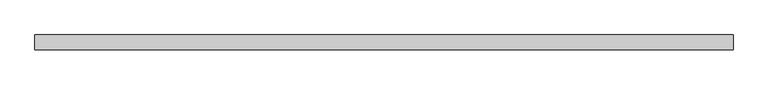
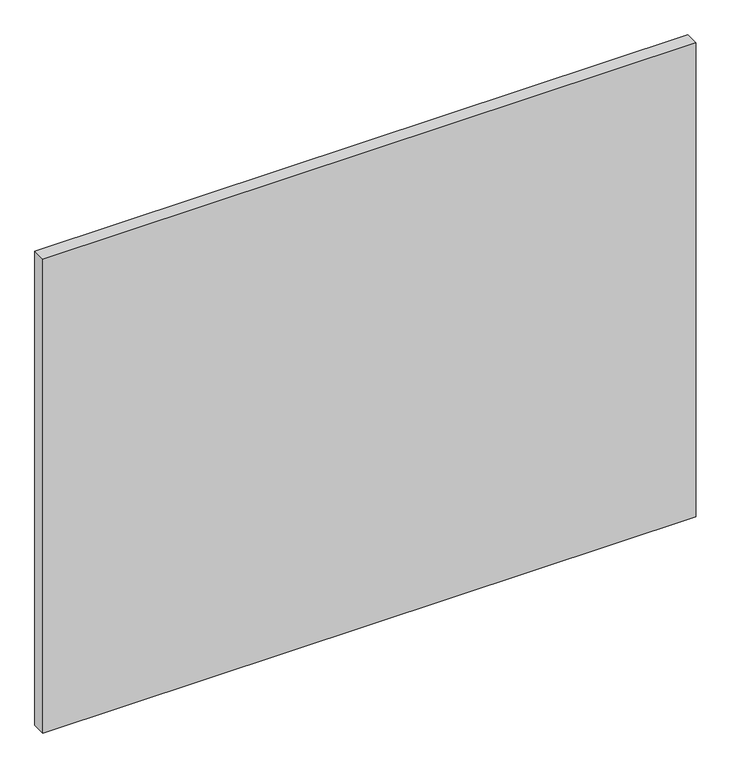
"""IFC4 building model written with IfcOpenShell, lengths in millimetres: proxy geometry."""

from ifc_helpers import new_model, si_unit, origin, origin_with_axes, place, context, project, spatial, polyline, outline, extrude, source, transform, mapped, element, save


def generic_models_d795be35(model_context):
    return source(origin(), model_context, "Body", "SweptSolid", [
        extrude(outline(polyline([(1594.0, 0.0), (1594.0, -68.0), (-1594.0, -68.0), (-1594.0, 0.0), (1594.0, 0.0)])), origin_with_axes(), (0.0, 0.0, 1.0), 2445.0),
    ])


if __name__ == "__main__":
    model = new_model("IFC4")
    model_context = context("Model", 3, world=origin())
    ifc_project = project(units=[si_unit("LENGTHUNIT", "METRE", prefix="MILLI")], contexts=[model_context])
    site = spatial("IfcSite", under=ifc_project)
    building = spatial("IfcBuilding", under=site)
    placement = place(None, origin())
    generic_models_shape = generic_models_d795be35(model_context)
    element("IfcBuildingElementProxy", 1, Name="Generic Models", at=placement, inside=building, context=model_context, shape_type="MappedRepresentation", body=[
        mapped(generic_models_shape, transform((0.0, 0.0, 0.0), x_axis=(1.0, 0.0, 0.0), y_axis=(0.0, 1.0, 0.0), z_axis=(0.0, 0.0, 1.0))),
    ])
    save(model, "model.ifc")
